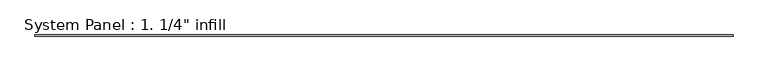
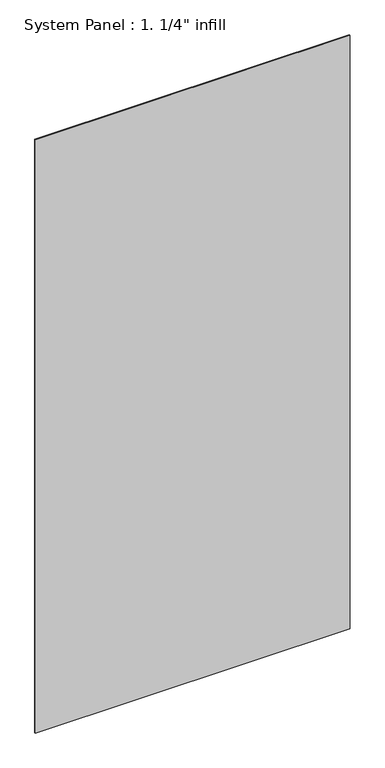
"""IFC4 building model written with IfcOpenShell, lengths in millimetres: plate geometry."""

from ifc_helpers import new_model, si_unit, origin, origin_with_axes, place, context, project, spatial, polyline, outline, extrude, source, transform, mapped, element, save


def plate_87596047(model_context):
    return source(origin(), model_context, "Body", "SweptSolid", [
        extrude(outline(polyline([(1492.25, -3.175), (-1492.25, -3.175), (-1492.25, 3.175), (1492.25, 3.175), (1492.25, -3.175)])), origin_with_axes(), (0.0, 0.0, 1.0), 5946.7623),
    ])


if __name__ == "__main__":
    model = new_model("IFC4")
    model_context = context("Model", 3, world=origin())
    ifc_project = project(units=[si_unit("LENGTHUNIT", "METRE", prefix="MILLI")], contexts=[model_context])
    site = spatial("IfcSite", under=ifc_project)
    building = spatial("IfcBuilding", under=site)
    placement = place(None, origin())
    plate_shape = plate_87596047(model_context)
    element("IfcPlate", 1, ObjectType="System Panel : 1. 1/4\" infill", at=placement, inside=building, context=model_context, shape_type="MappedRepresentation", body=[
        mapped(plate_shape, transform((0.0, 0.0, 0.0), x_axis=(1.0, 0.0, 0.0), y_axis=(0.0, 1.0, 0.0), z_axis=(0.0, 0.0, 1.0))),
    ])
    save(model, "model.ifc")
